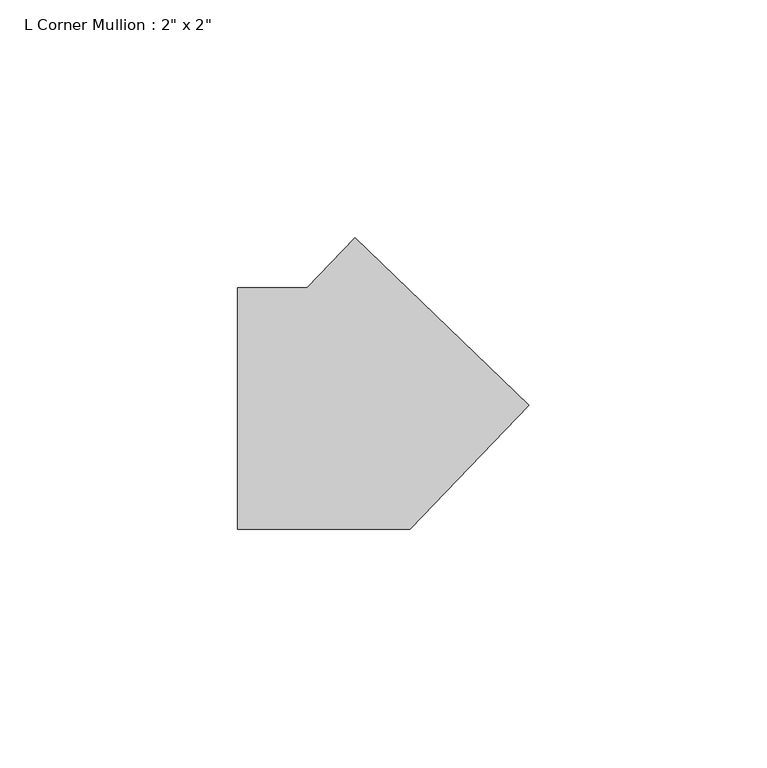
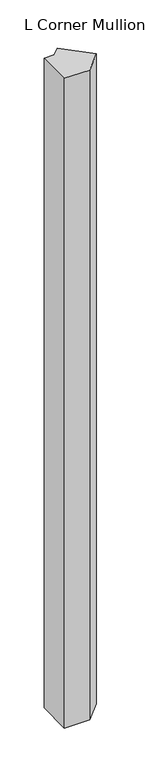
"""IFC4 building model written with IfcOpenShell, lengths in millimetres: member geometry."""

from ifc_helpers import new_model, si_unit, frame, origin, place, context, project, spatial, polyline, outline, extrude, source, transform, mapped, element, save


def member_d7b02411(model_context):
    return source(origin(), model_context, "Body", "SweptSolid", [
        extrude(outline(polyline([(35.913317, 0.7440862), (10.8305964, -25.4), (-25.4, -25.4), (-25.4, 25.4), (-10.8305964, 25.4), (-0.7440862, 35.913317), (35.913317, 0.7440862)])), frame((0.0, 0.0, -992.8046692), z_axis=(0.0, 0.0, 1.0), x_axis=(1.0, 0.0, 0.0)), (0.0, 0.0, 1.0), 992.8046692),
    ])


if __name__ == "__main__":
    model = new_model("IFC4")
    model_context = context("Model", 3, world=origin())
    ifc_project = project(units=[si_unit("LENGTHUNIT", "METRE", prefix="MILLI")], contexts=[model_context])
    site = spatial("IfcSite", under=ifc_project)
    building = spatial("IfcBuilding", under=site)
    placement = place(None, origin())
    member_shape = member_d7b02411(model_context)
    element("IfcMember", 1, ObjectType="L Corner Mullion : 2\" x 2\"", at=placement, inside=building, context=model_context, shape_type="MappedRepresentation", body=[
        mapped(member_shape, transform((0.0, 0.0, 0.0), x_axis=(1.0, 0.0, 0.0), y_axis=(0.0, 1.0, 0.0), z_axis=(0.0, 0.0, 1.0))),
    ])
    save(model, "model.ifc")
